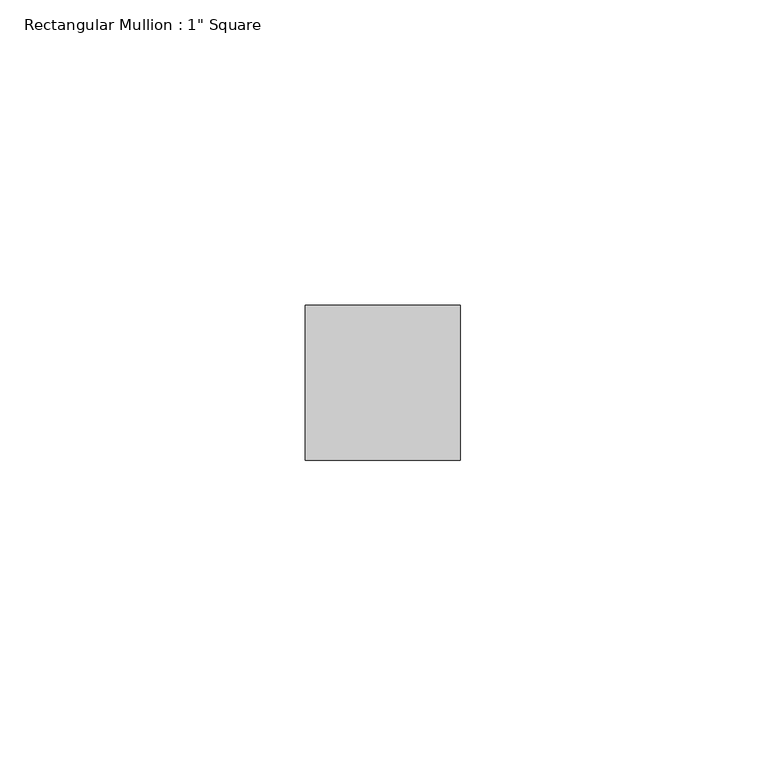
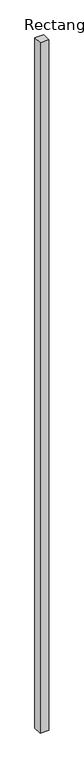
"""IFC4 building model written with IfcOpenShell, lengths in millimetres: member geometry."""

from ifc_helpers import new_model, si_unit, frame, origin, place, context, project, spatial, polyline, outline, extrude, source, transform, mapped, element, save


def member_9e9a5bad(model_context):
    return source(origin(), model_context, "Body", "SweptSolid", [
        extrude(outline(polyline([(12.7, 12.7), (12.7, -12.7), (-12.7, -12.7), (-12.7, 12.7), (12.7, 12.7)])), frame((0.0, 0.0, -2095.5), z_axis=(0.0, 0.0, 1.0), x_axis=(1.0, 0.0, 0.0)), (0.0, 0.0, 1.0), 2095.5),
    ])


if __name__ == "__main__":
    model = new_model("IFC4")
    model_context = context("Model", 3, world=origin())
    ifc_project = project(units=[si_unit("LENGTHUNIT", "METRE", prefix="MILLI")], contexts=[model_context])
    site = spatial("IfcSite", under=ifc_project)
    building = spatial("IfcBuilding", under=site)
    placement = place(None, origin())
    member_shape = member_9e9a5bad(model_context)
    element("IfcMember", 1, ObjectType="Rectangular Mullion : 1\" Square", at=placement, inside=building, context=model_context, shape_type="MappedRepresentation", body=[
        mapped(member_shape, transform((0.0, 0.0, 0.0), x_axis=(1.0, 0.0, 0.0), y_axis=(0.0, 1.0, 0.0), z_axis=(0.0, 0.0, 1.0))),
    ])
    save(model, "model.ifc")
